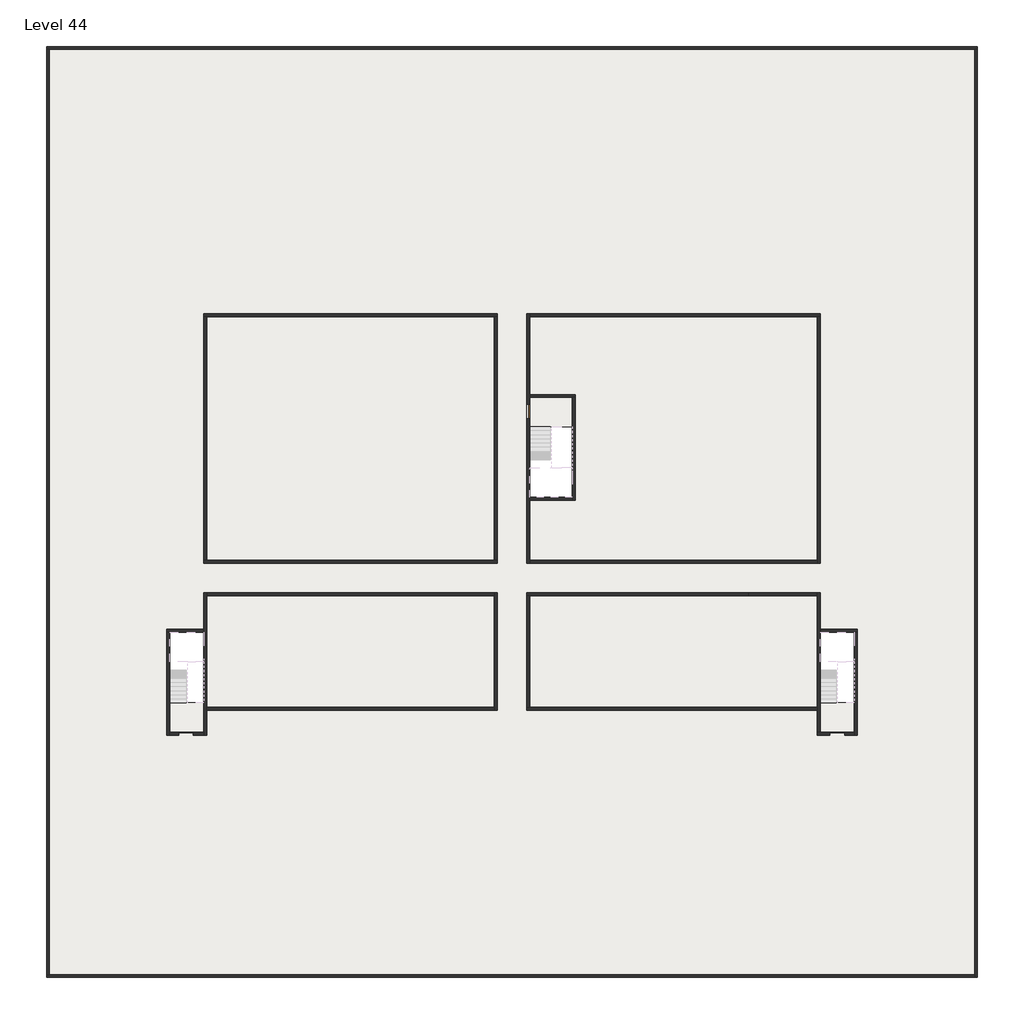
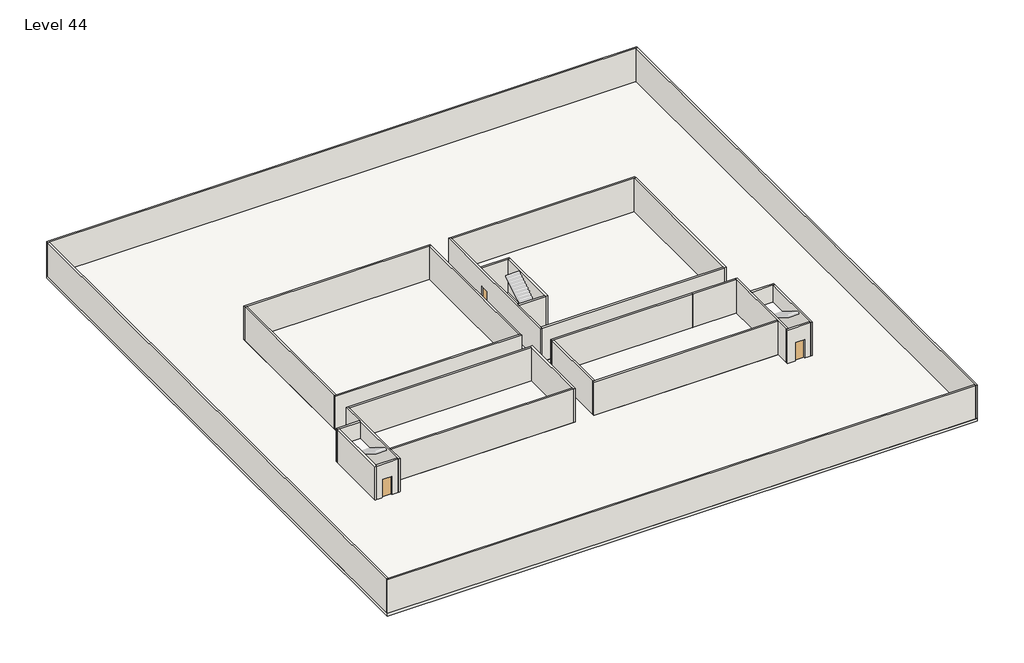
# One storey, part 1 of 2: 30 walls, 3 doors, 3 slabs.
"""IFC4 building model written with IfcOpenShell, lengths in millimetres."""

import ifcopenshell
import ifcopenshell.guid

model = None  # the IFC model being written
_history = None  # IfcOwnerHistory: only IFC2X3 demands one
_inside = {}  # id of a spatial element -> (the spatial element, [elements in it])
_under = {}  # id of a project, library or spatial element -> (it, [spatial elements below it])
_declared = {}  # id of a project -> (the project, [libraries it declares])
_typed = {}  # id of a type object -> (the type object, [elements of that type])
_made_of = {}  # id of a material, layer set ... -> (it, [elements and type objects made of it])


def new_model(schema):
    """Start an empty IFC model of exactly this schema.

    Asked for "IFC4X3", IfcOpenShell would pick the latest addendum, in which some entities
    have other attributes; the version numbers below select the first issue.
    IFC2X3 requires an IfcOwnerHistory on every rooted entity: one is made here for all.
    """
    global model, _history
    if schema == "IFC4X3":
        model = ifcopenshell.file(schema_version=(4, 3, 0, 0))
    else:
        model = ifcopenshell.file(schema=schema)
    _inside.clear()
    _under.clear()
    _declared.clear()
    _typed.clear()
    _made_of.clear()
    _history = None
    if model.schema == "IFC2X3":
        org = make("IfcOrganization", Name="unknown")
        user = make(
            "IfcPersonAndOrganization",
            ThePerson=make("IfcPerson", FamilyName="unknown"),
            TheOrganization=org,
        )
        app = make(
            "IfcApplication",
            ApplicationDeveloper=org,
            Version="unknown",
            ApplicationFullName="unknown",
            ApplicationIdentifier="unknown",
        )
        _history = make(
            "IfcOwnerHistory",
            OwningUser=user,
            OwningApplication=app,
            ChangeAction="ADDED",
            CreationDate=0,
        )
    return model


def make(cls, **values):
    """One entity of the class cls with the attributes given. An attribute that is None is left unset."""
    return model.create_entity(
        cls, **{name: value for name, value in values.items() if value is not None}
    )


def rooted(cls, **values):
    """An entity with a GlobalId (a new one), such as an element, a storey or a relation."""
    return make(cls, GlobalId=ifcopenshell.guid.new(), OwnerHistory=_history, **values)


def si_unit(unit_type, name, prefix=None):
    """IfcSIUnit, for example si_unit("LENGTHUNIT", "METRE", prefix="MILLI")."""
    return make("IfcSIUnit", UnitType=unit_type, Prefix=prefix, Name=name)


def assignment(units):
    """IfcUnitAssignment: the units of a project."""
    return None if units is None else make("IfcUnitAssignment", Units=units)


def point(xyz):
    """IfcCartesianPoint."""
    return None if xyz is None else make("IfcCartesianPoint", Coordinates=xyz)


def direction(xyz):
    """IfcDirection."""
    return None if xyz is None else make("IfcDirection", DirectionRatios=xyz)


def frame(location, z_axis=None, x_axis=None):
    """IfcAxis2Placement3D, a coordinate frame: its origin and axes. An axis left out is left unset."""
    return make(
        "IfcAxis2Placement3D",
        Location=point(location),
        Axis=direction(z_axis),
        RefDirection=direction(x_axis),
    )


def origin():
    """The frame at (0, 0, 0) with its axes left unset."""
    return frame((0.0, 0.0, 0.0))


def origin_with_axes():
    """The frame at (0, 0, 0) with the z axis (0, 0, 1) and the x axis (1, 0, 0) written out."""
    return frame((0.0, 0.0, 0.0), z_axis=(0.0, 0.0, 1.0), x_axis=(1.0, 0.0, 0.0))


def place(relative_to, where):
    """IfcLocalPlacement: puts the frame where relative to a parent placement (None: the world)."""
    return make(
        "IfcLocalPlacement", PlacementRelTo=relative_to, RelativePlacement=where
    )


def context(
    kind, dimensions, precision=None, world=None, true_north=None, identifier=None
):
    """IfcGeometricRepresentationContext, for example the 3D "Model" context."""
    return make(
        "IfcGeometricRepresentationContext",
        ContextIdentifier=identifier,
        ContextType=kind,
        CoordinateSpaceDimension=dimensions,
        Precision=precision,
        WorldCoordinateSystem=world,
        TrueNorth=true_north,
    )


def project(units=None, contexts=None):
    """IfcProject with its units and contexts."""
    return rooted(
        "IfcProject",
        Name="project",
        RepresentationContexts=contexts,
        UnitsInContext=assignment(units),
    )


def spatial(cls, under=None, at=None, **own):
    """A site, building, storey or space (cls), placed at a placement, below another one or the project."""
    s = rooted(cls, ObjectPlacement=at, **own)
    if under is not None:
        _under.setdefault(under.id(), (under, []))[1].append(s)
    return s


def polyline(points):
    """IfcPolyline through the points."""
    return make("IfcPolyline", Points=[point(p) for p in points])


def outline(outer, holes=None, kind="AREA"):
    """IfcArbitraryClosedProfileDef: a profile drawn as a closed curve; with holes, ...WithVoids."""
    if holes is None:
        return make("IfcArbitraryClosedProfileDef", ProfileType=kind, OuterCurve=outer)
    return make(
        "IfcArbitraryProfileDefWithVoids",
        ProfileType=kind,
        OuterCurve=outer,
        InnerCurves=holes,
    )


def extrude(swept, where, along, depth):
    """IfcExtrudedAreaSolid: the profile swept, set in the frame where, extruded along a direction by depth."""
    return make(
        "IfcExtrudedAreaSolid",
        SweptArea=swept,
        Position=where,
        ExtrudedDirection=direction(along),
        Depth=depth,
    )


def faces_of(points, faces, orient=None, outer=None):
    """IfcFace entities. A face is a list of loops; a loop is a list of indices into points, from 0.

    orient and outer hold one flag for each loop. By default every Orientation is true, the
    first loop of a face is its IfcFaceOuterBound and the others are IfcFaceBound.
    """
    made = []
    for i, loops in enumerate(faces):
        bounds = []
        for j, loop in enumerate(loops):
            is_outer = j == 0 if outer is None else outer[i][j]
            bounds.append(
                make(
                    "IfcFaceOuterBound" if is_outer else "IfcFaceBound",
                    Bound=make("IfcPolyLoop", Polygon=[points[k] for k in loop]),
                    Orientation=True if orient is None else orient[i][j],
                )
            )
        made.append(make("IfcFace", Bounds=bounds))
    return made


def faceted_brep(points, faces, orient=None, outer=None, voids=None):
    """IfcFacetedBrep: a solid bounded by flat faces; with voids (closed shells), ...WithVoids."""
    shared = [point(p) for p in points]
    hull = make("IfcClosedShell", CfsFaces=faces_of(shared, faces, orient, outer))
    if voids is None:
        return make("IfcFacetedBrep", Outer=hull)
    return make(
        "IfcFacetedBrepWithVoids",
        Outer=hull,
        Voids=[
            make(cls, CfsFaces=faces_of(shared, fs, o, b)) for cls, fs, o, b in voids
        ],
    )


def shape(context_of_items, identifier, shape_type, items):
    """IfcShapeRepresentation: the items that make up one representation, for example the "Body"."""
    return make(
        "IfcShapeRepresentation",
        ContextOfItems=context_of_items,
        RepresentationIdentifier=identifier,
        RepresentationType=shape_type,
        Items=items,
    )


def source(mapping_origin, context_of_items, identifier, shape_type, items):
    """IfcRepresentationMap: a shape defined once, which mapped items show again and again."""
    return make(
        "IfcRepresentationMap",
        MappingOrigin=mapping_origin,
        MappedRepresentation=shape(context_of_items, identifier, shape_type, items),
    )


def transform(
    local_origin,
    x_axis=None,
    y_axis=None,
    z_axis=None,
    scale=None,
    scale2=None,
    scale3=None,
    uniform=True,
):
    """IfcCartesianTransformationOperator3D, or its non-uniform kind. x_axis, y_axis, z_axis: its Axis1, 2, 3."""
    if uniform:
        return make(
            "IfcCartesianTransformationOperator3D",
            Axis1=direction(x_axis),
            Axis2=direction(y_axis),
            LocalOrigin=point(local_origin),
            Scale=scale,
            Axis3=direction(z_axis),
        )
    return make(
        "IfcCartesianTransformationOperator3DnonUniform",
        Axis1=direction(x_axis),
        Axis2=direction(y_axis),
        LocalOrigin=point(local_origin),
        Scale=scale,
        Axis3=direction(z_axis),
        Scale2=scale2,
        Scale3=scale3,
    )


def mapped(mapping_source, mapping_target):
    """IfcMappedItem: shows the shape of a source again, moved by a transform."""
    return make(
        "IfcMappedItem", MappingSource=mapping_source, MappingTarget=mapping_target
    )


def made_of(thing, what):
    """Note that an element or type object is made of a material, layer set ...; save() writes the relation."""
    if what is not None:
        _made_of.setdefault(what.id(), (what, []))[1].append(thing)
    return thing


def element(
    cls,
    number,
    at=None,
    inside=None,
    cuts=None,
    type_object=None,
    material=None,
    context=None,
    identifier="Body",
    shape_type=None,
    held_by="IfcProductDefinitionShape",
    body=None,
    shapes=None,
    **own,
):
    """One element of the class cls, such as IfcWall. Its Tag is "e" and its number.

    at: its placement. inside: the storey or other place that contains it. cuts: it is an
    opening in that element (IfcRelVoidsElement). A single representation is given by context,
    identifier, shape_type and body (its items); several are given by shapes. held_by: the class
    of the entity that holds the representations. save() writes the other relations.
    """
    e = rooted(cls, Tag="e%d" % number, ObjectPlacement=at, **own)
    if body is not None:
        shapes = [shape(context, identifier, shape_type, body)]
    if shapes is not None:
        e.Representation = make(held_by, Representations=shapes)
    if inside is not None:
        _inside.setdefault(inside.id(), (inside, []))[1].append(e)
    if cuts is not None:
        rooted(
            "IfcRelVoidsElement", RelatingBuildingElement=cuts, RelatedOpeningElement=e
        )
    if type_object is not None:
        _typed.setdefault(type_object.id(), (type_object, []))[1].append(e)
    return made_of(e, material)


def aggregate(whole, parts):
    """IfcRelAggregates: a whole, such as a stair, and the parts it consists of."""
    return rooted("IfcRelAggregates", RelatingObject=whole, RelatedObjects=parts)


def save(model, path):
    """Write the relations noted so far, then the file.

    IfcRelAggregates (storeys below a building ...), IfcRelContainedInSpatialStructure (elements
    in a storey), IfcRelDefinesByType, IfcRelAssociatesMaterial and IfcRelDeclares: one each for
    every whole, place, type object, material and project.
    """
    for whole, parts in _under.values():
        aggregate(whole, parts)
    for where, things in _inside.values():
        rooted(
            "IfcRelContainedInSpatialStructure",
            RelatedElements=things,
            RelatingStructure=where,
        )
    for kind, things in _typed.values():
        rooted("IfcRelDefinesByType", RelatedObjects=things, RelatingType=kind)
    for what, things in _made_of.values():
        rooted("IfcRelAssociatesMaterial", RelatedObjects=things, RelatingMaterial=what)
    for by, libraries in _declared.values():
        rooted("IfcRelDeclares", RelatingContext=by, RelatedDefinitions=libraries)
    model.write(path)


def door_0317a72c(model_context):
    return source(origin(), model_context, "Body", "SweptSolid", [
        extrude(outline(polyline([(500.0, -49.0), (500.0, -100.0), (-500.0, -100.0), (-500.0, -49.0), (500.0, -49.0)])), origin_with_axes(), (0.0, 0.0, 1.0), 2100.0),
    ])


model = new_model("IFC4")

# Units and contexts
model_context = context("Model", 3, world=origin())
ifc_project = project(units=[si_unit("LENGTHUNIT", "METRE", prefix="MILLI")], contexts=[model_context])

# Site, building, storey
site = spatial("IfcSite", under=ifc_project)
building = spatial("IfcBuilding", under=site)
storey = spatial("IfcBuildingStorey", under=building, Name="Level 44", Elevation=163400.0)

# Doors
placement = place(None, origin())
door_shape = door_0317a72c(model_context)
element("IfcDoor", 1, at=placement, inside=storey, context=model_context, shape_type="MappedRepresentation", body=[
    mapped(door_shape, transform((46340.1058784, -52318.09644, 163400.0), x_axis=(-1.0, 0.0, 0.0), y_axis=(0.0, -1.0, 0.0), z_axis=(0.0, 0.0, 1.0))),
])
element("IfcDoor", 2, at=placement, inside=storey, context=model_context, shape_type="MappedRepresentation", body=[
    mapped(door_shape, transform((1990.1058784, -52318.09644, 163400.0), x_axis=(-1.0, 0.0, 0.0), y_axis=(0.0, -1.0, 0.0), z_axis=(0.0, 0.0, 1.0))),
])
element("IfcDoor", 3, at=placement, inside=storey, context=model_context, shape_type="MappedRepresentation", body=[
    mapped(door_shape, transform((25290.1058784, -30368.09644, 163400.0), x_axis=(0.0, 1.0, 0.0), y_axis=(-1.0, 0.0, 0.0), z_axis=(0.0, 0.0, 1.0))),
])

# Slabs
element("IfcSlab", 4, at=placement, inside=storey, context=model_context, shape_type="SweptSolid", body=[
    extrude(outline(polyline([(55890.1058784, -5518.09644), (55890.1058784, -68918.09644), (-7509.8941216, -68918.09644), (-7509.8941216, -5518.09644), (55890.1058784, -5518.09644)]), holes=[polyline([(23190.1058784, -23718.09644), (3190.1058784, -23718.09644), (3190.1058784, -40718.09644), (23190.1058784, -40718.09644), (23190.1058784, -23718.09644)]), polyline([(45190.1058784, -23718.09644), (25190.1058784, -23718.09644), (25190.1058784, -40718.09644), (45190.1058784, -40718.09644), (45190.1058784, -23718.09644)]), polyline([(23190.1058784, -42718.09644), (3390.1058784, -42718.09644), (3390.1058784, -45418.09644), (890.1058784, -45418.09644), (890.1058784, -52218.09644), (3190.1058784, -52218.09644), (3190.1058784, -50718.09644), (23190.1058784, -50718.09644), (23190.1058784, -42718.09644)]), polyline([(44990.1058784, -42718.09644), (25190.1058784, -42718.09644), (25190.1058784, -50718.09644), (45190.1058784, -50718.09644), (45190.1058784, -52218.09644), (47490.1058784, -52218.09644), (47490.1058784, -45418.09644), (44990.1058784, -45418.09644), (44990.1058784, -42718.09644)])]), frame((0.0, 0.0, 163100.0), z_axis=(0.0, 0.0, 1.0), x_axis=(1.0, 0.0, 0.0)), (0.0, 0.0, 1.0), 300.0),
])
element("IfcSlab", 5, at=placement, inside=storey, context=model_context, shape_type="SweptSolid", body=[
    extrude(outline(polyline([(22990.1058784, -23918.09644), (22990.1058784, -40518.09644), (3390.1058784, -40518.09644), (3390.1058784, -23918.09644), (22990.1058784, -23918.09644)])), frame((0.0, 0.0, 163100.0), z_axis=(0.0, 0.0, 1.0), x_axis=(1.0, 0.0, 0.0)), (0.0, 0.0, 1.0), 300.0),
    extrude(outline(polyline([(44990.1058784, -23918.09644), (44990.1058784, -40518.09644), (25390.1058784, -40518.09644), (25390.1058784, -36418.09644), (28490.1058784, -36418.09644), (28490.1058784, -29218.09644), (25390.1058784, -29218.09644), (25390.1058784, -23918.09644), (44990.1058784, -23918.09644)])), frame((0.0, 0.0, 163100.0), z_axis=(0.0, 0.0, 1.0), x_axis=(1.0, 0.0, 0.0)), (0.0, 0.0, 1.0), 300.0),
    extrude(outline(polyline([(22990.1058784, -42918.09644), (22990.1058784, -50518.09644), (3390.1058784, -50518.09644), (3390.1058784, -42918.09644), (22990.1058784, -42918.09644)])), frame((0.0, 0.0, 163100.0), z_axis=(0.0, 0.0, 1.0), x_axis=(1.0, 0.0, 0.0)), (0.0, 0.0, 1.0), 300.0),
    extrude(outline(polyline([(44990.1058784, -42918.09644), (44990.1058784, -50518.09644), (25390.1058784, -50518.09644), (25390.1058784, -42918.09644), (44990.1058784, -42918.09644)])), frame((0.0, 0.0, 163100.0), z_axis=(0.0, 0.0, 1.0), x_axis=(1.0, 0.0, 0.0)), (0.0, 0.0, 1.0), 300.0),
])
element("IfcSlab", 6, at=placement, inside=storey, context=model_context, shape_type="SweptSolid", body=[
    extrude(outline(polyline([(28290.1058784, -29418.09644), (28290.1058784, -31418.09644), (25190.1058784, -31418.09644), (25190.1058784, -29418.09644), (28290.1058784, -29418.09644)])), frame((0.0, 0.0, 163100.0), z_axis=(0.0, 0.0, 1.0), x_axis=(1.0, 0.0, 0.0)), (0.0, 0.0, 1.0), 300.0),
    extrude(outline(polyline([(3190.1058784, -50218.09644), (3190.1058784, -52218.09644), (890.1058784, -52218.09644), (890.1058784, -50218.09644), (3190.1058784, -50218.09644)])), frame((0.0, 0.0, 163100.0), z_axis=(0.0, 0.0, 1.0), x_axis=(1.0, 0.0, 0.0)), (0.0, 0.0, 1.0), 300.0),
    extrude(outline(polyline([(47490.1058784, -50218.09644), (47490.1058784, -52218.09644), (45190.1058784, -52218.09644), (45190.1058784, -50218.09644), (47490.1058784, -50218.09644)])), frame((0.0, 0.0, 163100.0), z_axis=(0.0, 0.0, 1.0), x_axis=(1.0, 0.0, 0.0)), (0.0, 0.0, 1.0), 300.0),
])

# Walls
element("IfcWall", 7, at=placement, inside=storey, context=model_context, shape_type="Brep", body=[
    faceted_brep([(-7509.8941216, -5718.09644, 163400.0), (-7309.8941216, -5718.09644, 163400.0), (55690.1058784, -5718.09644, 163400.0), (55890.1058784, -5718.09644, 163400.0), (55890.1058784, -5718.09644, 167200.0), (55690.1058784, -5718.09644, 167200.0), (-7309.8941216, -5718.09644, 167200.0), (-7509.8941216, -5718.09644, 167200.0), (-7509.8941216, -5518.09644, 163400.0), (-7509.8941216, -5518.09644, 167200.0), (55890.1058784, -5518.09644, 167200.0), (55890.1058784, -5518.09644, 163400.0)], [[[0, 1, 2, 3, 4, 5, 6, 7]], [[8, 9, 10, 11]], [[3, 2, 1, 0, 8, 11]], [[7, 6, 5, 4, 10, 9]], [[4, 3, 11, 10]], [[0, 7, 9, 8]]]),
])
element("IfcWall", 8, at=placement, inside=storey, context=model_context, shape_type="Brep", body=[
    faceted_brep([(55690.1058784, -5718.09644, 163400.0), (55690.1058784, -68718.09644, 163400.0), (55690.1058784, -68918.09644, 163400.0), (55690.1058784, -68918.09644, 167200.0), (55690.1058784, -68718.09644, 167200.0), (55690.1058784, -5718.09644, 167200.0), (55890.1058784, -5718.09644, 163400.0), (55890.1058784, -5718.09644, 167200.0), (55890.1058784, -68918.09644, 167200.0), (55890.1058784, -68918.09644, 163400.0)], [[[0, 1, 2, 3, 4, 5]], [[6, 7, 8, 9]], [[2, 1, 0, 6, 9]], [[5, 4, 3, 8, 7]], [[0, 5, 7, 6]], [[3, 2, 9, 8]]]),
])
element("IfcWall", 9, at=placement, inside=storey, context=model_context, shape_type="Brep", body=[
    faceted_brep([(55690.1058784, -68718.09644, 163400.0), (-7309.8941216, -68718.09644, 163400.0), (-7509.8941216, -68718.09644, 163400.0), (-7509.8941216, -68718.09644, 167200.0), (-7309.8941216, -68718.09644, 167200.0), (55690.1058784, -68718.09644, 167200.0), (55690.1058784, -68918.09644, 163400.0), (55690.1058784, -68918.09644, 167200.0), (-7509.8941216, -68918.09644, 167200.0), (-7509.8941216, -68918.09644, 163400.0)], [[[0, 1, 2, 3, 4, 5]], [[6, 7, 8, 9]], [[2, 1, 0, 6, 9]], [[5, 4, 3, 8, 7]], [[0, 5, 7, 6]], [[3, 2, 9, 8]]]),
])
element("IfcWall", 10, at=placement, inside=storey, context=model_context, shape_type="SweptSolid", body=[
    extrude(outline(polyline([(-7309.8941216, -5718.09644), (-7309.8941216, -68718.09644), (-7509.8941216, -68718.09644), (-7509.8941216, -5718.09644), (-7309.8941216, -5718.09644)])), frame((0.0, 0.0, 163400.0), z_axis=(0.0, 0.0, 1.0), x_axis=(1.0, 0.0, 0.0)), (0.0, 0.0, 1.0), 3800.0),
])
element("IfcWall", 11, at=placement, inside=storey, context=model_context, shape_type="Brep", body=[
    faceted_brep([(3190.1058784, -23918.09644, 163400.0), (3390.1058784, -23918.09644, 163400.0), (22990.1058784, -23918.09644, 163400.0), (23190.1058784, -23918.09644, 163400.0), (23190.1058784, -23918.09644, 167200.0), (22990.1058784, -23918.09644, 167200.0), (3390.1058784, -23918.09644, 167200.0), (3190.1058784, -23918.09644, 167200.0), (3190.1058784, -23718.09644, 163400.0), (3190.1058784, -23718.09644, 167200.0), (23190.1058784, -23718.09644, 167200.0), (23190.1058784, -23718.09644, 163400.0)], [[[0, 1, 2, 3, 4, 5, 6, 7]], [[8, 9, 10, 11]], [[3, 2, 1, 0, 8, 11]], [[7, 6, 5, 4, 10, 9]], [[0, 7, 9, 8]], [[4, 3, 11, 10]]]),
])
element("IfcWall", 12, at=placement, inside=storey, context=model_context, shape_type="Brep", body=[
    faceted_brep([(44990.1058784, -23918.09644, 163400.0), (44990.1058784, -40518.09644, 163400.0), (44990.1058784, -40718.09644, 163400.0), (44990.1058784, -40718.09644, 167200.0), (44990.1058784, -40518.09644, 167200.0), (44990.1058784, -23918.09644, 167200.0), (45190.1058784, -23918.09644, 163400.0), (45190.1058784, -23918.09644, 167200.0), (45190.1058784, -40718.09644, 167200.0), (45190.1058784, -40718.09644, 163400.0)], [[[0, 1, 2, 3, 4, 5]], [[6, 7, 8, 9]], [[2, 1, 0, 6, 9]], [[5, 4, 3, 8, 7]], [[0, 5, 7, 6]], [[3, 2, 9, 8]]]),
])
element("IfcWall", 13, at=placement, inside=storey, context=model_context, shape_type="Brep", body=[
    faceted_brep([(44990.1058784, -50518.09644, 163400.0), (25390.1058784, -50518.09644, 163400.0), (25190.1058784, -50518.09644, 163400.0), (25190.1058784, -50518.09644, 167200.0), (25390.1058784, -50518.09644, 167200.0), (44990.1058784, -50518.09644, 167200.0), (44990.1058784, -50718.09644, 163400.0), (44990.1058784, -50718.09644, 167200.0), (25190.1058784, -50718.09644, 167200.0), (25190.1058784, -50718.09644, 163400.0)], [[[0, 1, 2, 3, 4, 5]], [[6, 7, 8, 9]], [[2, 1, 0, 6, 9]], [[5, 4, 3, 8, 7]], [[3, 2, 9, 8]], [[0, 5, 7, 6]]]),
])
element("IfcWall", 14, at=placement, inside=storey, context=model_context, shape_type="Brep", body=[
    faceted_brep([(3390.1058784, -52418.09644, 163400.0), (3390.1058784, -50718.09644, 163400.0), (3390.1058784, -50518.09644, 163400.0), (3390.1058784, -42918.09644, 163400.0), (3390.1058784, -42718.09644, 163400.0), (3390.1058784, -42718.09644, 167200.0), (3390.1058784, -42918.09644, 167200.0), (3390.1058784, -50518.09644, 167200.0), (3390.1058784, -50718.09644, 167200.0), (3390.1058784, -52418.09644, 167200.0), (3190.1058784, -52418.09644, 163400.0), (3190.1058784, -52418.09644, 167200.0), (3190.1058784, -52218.09644, 167200.0), (3190.1058784, -45418.09644, 167200.0), (3190.1058784, -45218.09644, 167200.0), (3190.1058784, -42718.09644, 167200.0), (3190.1058784, -42718.09644, 163400.0), (3190.1058784, -45218.09644, 163400.0), (3190.1058784, -45418.09644, 163400.0), (3190.1058784, -52218.09644, 163400.0)], [[[0, 1, 2, 3, 4, 5, 6, 7, 8, 9]], [[10, 11, 12, 13, 14, 15, 16, 17, 18, 19]], [[4, 3, 2, 1, 0, 10, 19, 18, 17, 16]], [[9, 8, 7, 6, 5, 15, 14, 13, 12, 11]], [[5, 4, 16, 15]], [[0, 9, 11, 10]]]),
])
element("IfcWall", 15, at=placement, inside=storey, context=model_context, shape_type="SweptSolid", body=[
    extrude(outline(polyline([(22990.1058784, -40518.09644), (22990.1058784, -23918.09644), (23190.1058784, -23918.09644), (23190.1058784, -40518.09644), (22990.1058784, -40518.09644)])), frame((0.0, 0.0, 163400.0), z_axis=(0.0, 0.0, 1.0), x_axis=(1.0, 0.0, 0.0)), (0.0, 0.0, 1.0), 3800.0),
])
element("IfcWall", 16, at=placement, inside=storey, context=model_context, shape_type="Brep", body=[
    faceted_brep([(23190.1058784, -40518.09644, 163400.0), (22990.1058784, -40518.09644, 163400.0), (3390.1058784, -40518.09644, 163400.0), (3190.1058784, -40518.09644, 163400.0), (3190.1058784, -40518.09644, 167200.0), (3390.1058784, -40518.09644, 167200.0), (22990.1058784, -40518.09644, 167200.0), (23190.1058784, -40518.09644, 167200.0), (23190.1058784, -40718.09644, 163400.0), (23190.1058784, -40718.09644, 167200.0), (3190.1058784, -40718.09644, 167200.0), (3190.1058784, -40718.09644, 163400.0)], [[[0, 1, 2, 3, 4, 5, 6, 7]], [[8, 9, 10, 11]], [[3, 2, 1, 0, 8, 11]], [[7, 6, 5, 4, 10, 9]], [[4, 3, 11, 10]], [[0, 7, 9, 8]]]),
])
element("IfcWall", 17, at=placement, inside=storey, context=model_context, shape_type="SweptSolid", body=[
    extrude(outline(polyline([(22990.1058784, -42918.09644), (3390.1058784, -42918.09644), (3390.1058784, -42718.09644), (22990.1058784, -42718.09644), (22990.1058784, -42918.09644)])), frame((0.0, 0.0, 163400.0), z_axis=(0.0, 0.0, 1.0), x_axis=(1.0, 0.0, 0.0)), (0.0, 0.0, 1.0), 3800.0),
])
element("IfcWall", 18, at=placement, inside=storey, context=model_context, shape_type="SweptSolid", body=[
    extrude(outline(polyline([(25390.1058784, -40518.09644), (44990.1058784, -40518.09644), (44990.1058784, -40718.09644), (25390.1058784, -40718.09644), (25390.1058784, -40518.09644)])), frame((0.0, 0.0, 163400.0), z_axis=(0.0, 0.0, 1.0), x_axis=(1.0, 0.0, 0.0)), (0.0, 0.0, 1.0), 3800.0),
])
element("IfcWall", 19, at=placement, inside=storey, context=model_context, shape_type="Brep", body=[
    faceted_brep([(25390.1058784, -29868.09644, 165500.0), (25390.1058784, -29868.09644, 163400.0), (25390.1058784, -29418.09644, 163400.0), (25390.1058784, -29218.09644, 163400.0), (25390.1058784, -23918.09644, 163400.0), (25390.1058784, -23718.09644, 163400.0), (25390.1058784, -23718.09644, 167200.0), (25390.1058784, -23918.09644, 167200.0), (25390.1058784, -29218.09644, 167200.0), (25390.1058784, -29418.09644, 167200.0), (25390.1058784, -36218.09644, 167200.0), (25390.1058784, -36418.09644, 167200.0), (25390.1058784, -40518.09644, 167200.0), (25390.1058784, -40718.09644, 167200.0), (25390.1058784, -40718.09644, 163400.0), (25390.1058784, -40518.09644, 163400.0), (25390.1058784, -36418.09644, 163400.0), (25390.1058784, -36218.09644, 163400.0), (25390.1058784, -30868.09644, 163400.0), (25390.1058784, -30868.09644, 165500.0), (25190.1058784, -23718.09644, 163400.0), (25190.1058784, -29868.09644, 163400.0), (25190.1058784, -29868.09644, 165500.0), (25190.1058784, -30868.09644, 165500.0), (25190.1058784, -30868.09644, 163400.0), (25190.1058784, -40718.09644, 163400.0), (25190.1058784, -40718.09644, 167200.0), (25190.1058784, -23718.09644, 167200.0)], [[[0, 1, 2, 3, 4, 5, 6, 7, 8, 9, 10, 11, 12, 13, 14, 15, 16, 17, 18, 19]], [[20, 21, 22, 23, 24, 25, 26, 27]], [[5, 4, 3, 2, 1, 21, 20]], [[18, 17, 16, 15, 14, 25, 24]], [[13, 12, 11, 10, 9, 8, 7, 6, 27, 26]], [[22, 21, 1, 0]], [[23, 22, 0, 19]], [[24, 23, 19, 18]], [[14, 13, 26, 25]], [[6, 5, 20, 27]]]),
])
element("IfcWall", 20, at=placement, inside=storey, context=model_context, shape_type="SweptSolid", body=[
    extrude(outline(polyline([(3390.1058784, -23918.09644), (3390.1058784, -40518.09644), (3190.1058784, -40518.09644), (3190.1058784, -23918.09644), (3390.1058784, -23918.09644)])), frame((0.0, 0.0, 163400.0), z_axis=(0.0, 0.0, 1.0), x_axis=(1.0, 0.0, 0.0)), (0.0, 0.0, 1.0), 3800.0),
])
element("IfcWall", 21, at=placement, inside=storey, context=model_context, shape_type="Brep", body=[
    faceted_brep([(25390.1058784, -23918.09644, 163400.0), (44990.1058784, -23918.09644, 163400.0), (45190.1058784, -23918.09644, 163400.0), (45190.1058784, -23918.09644, 167200.0), (44990.1058784, -23918.09644, 167200.0), (25390.1058784, -23918.09644, 167200.0), (25390.1058784, -23718.09644, 163400.0), (25390.1058784, -23718.09644, 167200.0), (45190.1058784, -23718.09644, 167200.0), (45190.1058784, -23718.09644, 163400.0)], [[[0, 1, 2, 3, 4, 5]], [[6, 7, 8, 9]], [[2, 1, 0, 6, 9]], [[5, 4, 3, 8, 7]], [[3, 2, 9, 8]], [[0, 5, 7, 6]]]),
])
element("IfcWall", 22, at=placement, inside=storey, context=model_context, shape_type="Brep", body=[
    faceted_brep([(44990.1058784, -42718.09644, 163400.0), (44990.1058784, -42918.09644, 163400.0), (44990.1058784, -50518.09644, 163400.0), (44990.1058784, -50718.09644, 163400.0), (44990.1058784, -52218.09644, 163400.0), (44990.1058784, -52218.09644, 167200.0), (44990.1058784, -50718.09644, 167200.0), (44990.1058784, -50518.09644, 167200.0), (44990.1058784, -42918.09644, 167200.0), (44990.1058784, -42718.09644, 167200.0), (45190.1058784, -42718.09644, 163400.0), (45190.1058784, -42718.09644, 167200.0), (45190.1058784, -45218.09644, 167200.0), (45190.1058784, -45418.09644, 167200.0), (45190.1058784, -52218.09644, 167200.0), (45190.1058784, -52218.09644, 163400.0), (45190.1058784, -45418.09644, 163400.0), (45190.1058784, -45218.09644, 163400.0)], [[[0, 1, 2, 3, 4, 5, 6, 7, 8, 9]], [[10, 11, 12, 13, 14, 15, 16, 17]], [[4, 3, 2, 1, 0, 10, 17, 16, 15]], [[9, 8, 7, 6, 5, 14, 13, 12, 11]], [[0, 9, 11, 10]], [[5, 4, 15, 14]]]),
])
element("IfcWall", 23, at=placement, inside=storey, context=model_context, shape_type="Brep", body=[
    faceted_brep([(25390.1058784, -29418.09644, 163400.0), (28290.1058784, -29418.09644, 163400.0), (28490.1058784, -29418.09644, 163400.0), (28490.1058784, -29418.09644, 167200.0), (28290.1058784, -29418.09644, 167200.0), (25390.1058784, -29418.09644, 167200.0), (25390.1058784, -29218.09644, 163400.0), (25390.1058784, -29218.09644, 167200.0), (28490.1058784, -29218.09644, 167200.0), (28490.1058784, -29218.09644, 163400.0)], [[[0, 1, 2, 3, 4, 5]], [[6, 7, 8, 9]], [[2, 1, 0, 6, 9]], [[5, 4, 3, 8, 7]], [[3, 2, 9, 8]], [[0, 5, 7, 6]]]),
])
element("IfcWall", 24, at=placement, inside=storey, context=model_context, shape_type="Brep", body=[
    faceted_brep([(28290.1058784, -29418.09644, 163400.0), (28290.1058784, -36218.09644, 163400.0), (28290.1058784, -36418.09644, 163400.0), (28290.1058784, -36418.09644, 167200.0), (28290.1058784, -36218.09644, 167200.0), (28290.1058784, -29418.09644, 167200.0), (28490.1058784, -29418.09644, 163400.0), (28490.1058784, -29418.09644, 167200.0), (28490.1058784, -36418.09644, 167200.0), (28490.1058784, -36418.09644, 163400.0)], [[[0, 1, 2, 3, 4, 5]], [[6, 7, 8, 9]], [[2, 1, 0, 6, 9]], [[5, 4, 3, 8, 7]], [[3, 2, 9, 8]], [[0, 5, 7, 6]]]),
])
element("IfcWall", 25, at=placement, inside=storey, context=model_context, shape_type="SweptSolid", body=[
    extrude(outline(polyline([(25390.1058784, -36218.09644), (28290.1058784, -36218.09644), (28290.1058784, -36418.09644), (25390.1058784, -36418.09644), (25390.1058784, -36218.09644)])), frame((0.0, 0.0, 163400.0), z_axis=(0.0, 0.0, 1.0), x_axis=(1.0, 0.0, 0.0)), (0.0, 0.0, 1.0), 3800.0),
])
element("IfcWall", 26, at=placement, inside=storey, context=model_context, shape_type="SweptSolid", body=[
    extrude(outline(polyline([(25190.1058784, -50518.09644), (25190.1058784, -42918.09644), (25390.1058784, -42918.09644), (25390.1058784, -50518.09644), (25190.1058784, -50518.09644)])), frame((0.0, 0.0, 163400.0), z_axis=(0.0, 0.0, 1.0), x_axis=(1.0, 0.0, 0.0)), (0.0, 0.0, 1.0), 3800.0),
])
element("IfcWall", 27, at=placement, inside=storey, context=model_context, shape_type="Brep", body=[
    faceted_brep([(22990.1058784, -42718.09644, 163400.0), (22990.1058784, -42918.09644, 163400.0), (22990.1058784, -50518.09644, 163400.0), (22990.1058784, -50718.09644, 163400.0), (22990.1058784, -50718.09644, 167200.0), (22990.1058784, -50518.09644, 167200.0), (22990.1058784, -42918.09644, 167200.0), (22990.1058784, -42718.09644, 167200.0), (23190.1058784, -42718.09644, 163400.0), (23190.1058784, -42718.09644, 167200.0), (23190.1058784, -50718.09644, 167200.0), (23190.1058784, -50718.09644, 163400.0)], [[[0, 1, 2, 3, 4, 5, 6, 7]], [[8, 9, 10, 11]], [[3, 2, 1, 0, 8, 11]], [[7, 6, 5, 4, 10, 9]], [[4, 3, 11, 10]], [[0, 7, 9, 8]]]),
])
element("IfcWall", 28, at=placement, inside=storey, context=model_context, shape_type="Brep", body=[
    faceted_brep([(25190.1058784, -42918.09644, 163400.0), (25390.1058784, -42918.09644, 163400.0), (40290.1058784, -42918.09644, 163400.0), (40290.1058784, -42918.09644, 167200.0), (25390.1058784, -42918.09644, 167200.0), (25190.1058784, -42918.09644, 167200.0), (25190.1058784, -42718.09644, 163400.0), (25190.1058784, -42718.09644, 167200.0), (40290.1058784, -42718.09644, 167200.0), (40290.1058784, -42718.09644, 163400.0)], [[[0, 1, 2, 3, 4, 5]], [[6, 7, 8, 9]], [[2, 1, 0, 6, 9]], [[3, 2, 9, 8]], [[5, 4, 3, 8, 7]], [[0, 5, 7, 6]]]),
])
element("IfcWall", 29, at=placement, inside=storey, context=model_context, shape_type="SweptSolid", body=[
    extrude(outline(polyline([(3390.1058784, -50518.09644), (22990.1058784, -50518.09644), (22990.1058784, -50718.09644), (3390.1058784, -50718.09644), (3390.1058784, -50518.09644)])), frame((0.0, 0.0, 163400.0), z_axis=(0.0, 0.0, 1.0), x_axis=(1.0, 0.0, 0.0)), (0.0, 0.0, 1.0), 3800.0),
])
element("IfcWall", 30, at=placement, inside=storey, context=model_context, shape_type="Brep", body=[
    faceted_brep([(45190.1058784, -45418.09644, 163400.0), (47490.1058784, -45418.09644, 163400.0), (47690.1058784, -45418.09644, 163400.0), (47690.1058784, -45418.09644, 167200.0), (47490.1058784, -45418.09644, 167200.0), (45190.1058784, -45418.09644, 167200.0), (45190.1058784, -45218.09644, 163400.0), (45190.1058784, -45218.09644, 167200.0), (47690.1058784, -45218.09644, 167200.0), (47690.1058784, -45218.09644, 163400.0)], [[[0, 1, 2, 3, 4, 5]], [[6, 7, 8, 9]], [[2, 1, 0, 6, 9]], [[5, 4, 3, 8, 7]], [[3, 2, 9, 8]], [[0, 5, 7, 6]]]),
])
element("IfcWall", 31, at=placement, inside=storey, context=model_context, shape_type="Brep", body=[
    faceted_brep([(47490.1058784, -45418.09644, 163400.0), (47490.1058784, -52218.09644, 163400.0), (47490.1058784, -52418.09644, 163400.0), (47490.1058784, -52418.09644, 167200.0), (47490.1058784, -52218.09644, 167200.0), (47490.1058784, -45418.09644, 167200.0), (47690.1058784, -45418.09644, 163400.0), (47690.1058784, -45418.09644, 167200.0), (47690.1058784, -52418.09644, 167200.0), (47690.1058784, -52418.09644, 163400.0)], [[[0, 1, 2, 3, 4, 5]], [[6, 7, 8, 9]], [[2, 1, 0, 6, 9]], [[5, 4, 3, 8, 7]], [[0, 5, 7, 6]], [[3, 2, 9, 8]]]),
])
element("IfcWall", 32, at=placement, inside=storey, context=model_context, shape_type="Brep", body=[
    faceted_brep([(45840.1058784, -52218.09644, 165500.0), (45840.1058784, -52218.09644, 163400.0), (45190.1058784, -52218.09644, 163400.0), (44990.1058784, -52218.09644, 163400.0), (44990.1058784, -52218.09644, 167200.0), (45190.1058784, -52218.09644, 167200.0), (47490.1058784, -52218.09644, 167200.0), (47490.1058784, -52218.09644, 163400.0), (46840.1058784, -52218.09644, 163400.0), (46840.1058784, -52218.09644, 165500.0), (44990.1058784, -52418.09644, 163400.0), (45840.1058784, -52418.09644, 163400.0), (45840.1058784, -52418.09644, 165500.0), (46840.1058784, -52418.09644, 165500.0), (46840.1058784, -52418.09644, 163400.0), (47490.1058784, -52418.09644, 163400.0), (47490.1058784, -52418.09644, 167200.0), (44990.1058784, -52418.09644, 167200.0)], [[[0, 1, 2, 3, 4, 5, 6, 7, 8, 9]], [[10, 11, 12, 13, 14, 15, 16, 17]], [[8, 7, 15, 14]], [[3, 2, 1, 11, 10]], [[6, 5, 4, 17, 16]], [[12, 11, 1, 0]], [[13, 12, 0, 9]], [[14, 13, 9, 8]], [[4, 3, 10, 17]], [[7, 6, 16, 15]]]),
])
element("IfcWall", 33, at=placement, inside=storey, context=model_context, shape_type="Brep", body=[
    faceted_brep([(3190.1058784, -45218.09644, 163400.0), (690.1058784, -45218.09644, 163400.0), (690.1058784, -45218.09644, 167200.0), (3190.1058784, -45218.09644, 167200.0), (3190.1058784, -45418.09644, 163400.0), (3190.1058784, -45418.09644, 167200.0), (890.1058784, -45418.09644, 167200.0), (690.1058784, -45418.09644, 167200.0), (690.1058784, -45418.09644, 163400.0), (890.1058784, -45418.09644, 163400.0)], [[[0, 1, 2, 3]], [[4, 5, 6, 7, 8, 9]], [[1, 0, 4, 9, 8]], [[3, 2, 7, 6, 5]], [[2, 1, 8, 7]], [[0, 3, 5, 4]]]),
])
element("IfcWall", 34, at=placement, inside=storey, context=model_context, shape_type="Brep", body=[
    faceted_brep([(690.1058784, -45418.09644, 163400.0), (690.1058784, -52418.09644, 163400.0), (690.1058784, -52418.09644, 167200.0), (690.1058784, -45418.09644, 167200.0), (890.1058784, -45418.09644, 163400.0), (890.1058784, -45418.09644, 167200.0), (890.1058784, -52218.09644, 167200.0), (890.1058784, -52418.09644, 167200.0), (890.1058784, -52418.09644, 163400.0), (890.1058784, -52218.09644, 163400.0)], [[[0, 1, 2, 3]], [[4, 5, 6, 7, 8, 9]], [[1, 0, 4, 9, 8]], [[3, 2, 7, 6, 5]], [[0, 3, 5, 4]], [[2, 1, 8, 7]]]),
])
element("IfcWall", 35, at=placement, inside=storey, context=model_context, shape_type="SweptSolid", body=[
    extrude(outline(polyline([(163400.0, 890.1058784), (163400.0, 1490.1058784), (165500.0, 1490.1058784), (165500.0, 2490.1058784), (163400.0, 2490.1058784), (163400.0, 3190.1058784), (167200.0, 3190.1058784), (167200.0, 890.1058784), (163400.0, 890.1058784)])), frame((0.0, -52418.09644, 0.0), z_axis=(0.0, 1.0, 0.0), x_axis=(0.0, 0.0, 1.0)), (0.0, 0.0, 1.0), 200.0),
])
element("IfcWall", 36, at=placement, inside=storey, context=model_context, shape_type="SweptSolid", body=[
    extrude(outline(polyline([(44990.1058784, -42918.09644), (40290.1058784, -42918.09644), (40290.1058784, -42718.09644), (44990.1058784, -42718.09644), (44990.1058784, -42918.09644)])), frame((0.0, 0.0, 163400.0), z_axis=(0.0, 0.0, 1.0), x_axis=(1.0, 0.0, 0.0)), (0.0, 0.0, 1.0), 3800.0),
])

save(model, "model.ifc")
